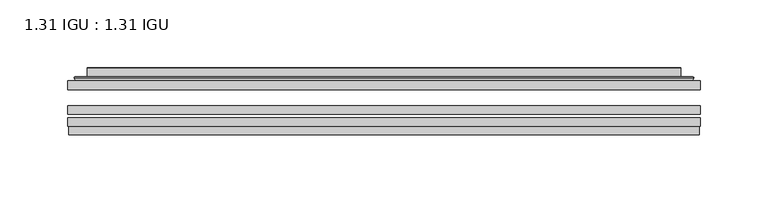
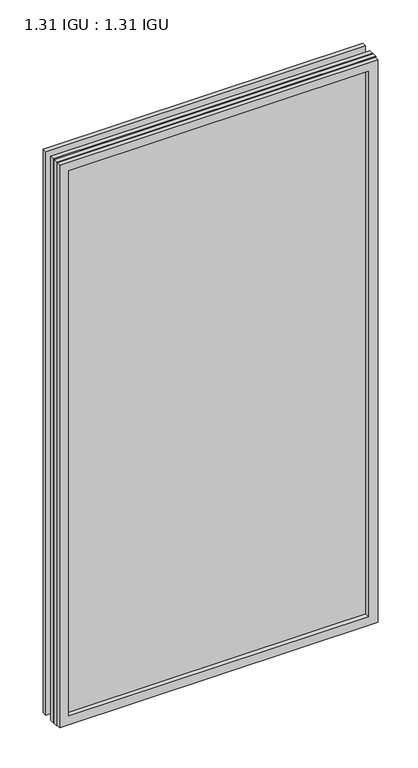
"""IFC4 building model written with IfcOpenShell, lengths in millimetres: plate geometry, 1.31 IGU : 1.31 IGU."""

from ifc_helpers import new_model, si_unit, frame, origin, place, context, project, spatial, polyline, ellipse_curve, outline, extrude, faceted_brep, source, transform, mapped, element, save
from ifc_brep_helpers import plane_surface, cylinder_surface, advanced_brep


def plate_1_31_igu_1_31_igu_6eb9a49b(model_context):
    return source(origin(), model_context, "Body", "SolidModel", [
        extrude(outline(polyline([(233.376675, -63.59525), (233.376675, -69.94525), (-233.3625, -69.94525), (-233.3625, -63.59525), (233.376675, -63.59525)])), frame((0.0, 0.0, -14.2875), z_axis=(0.0, 0.0, 1.0), x_axis=(1.0, 0.0, 0.0)), (0.0, 0.0, 1.0), 869.9537979),
        extrude(outline(polyline([(-233.3625, -78.58125), (-233.3625, -72.230745), (233.376675, -72.230745), (233.376675, -78.58125), (-233.3625, -78.58125)])), frame((0.0, 0.0, -14.2875), z_axis=(0.0, 0.0, 1.0), x_axis=(1.0, 0.0, 0.0)), (0.0, 0.0, 1.0), 869.9537979),
        extrude(outline(polyline([(233.376675, -45.25645), (233.376675, -51.60645), (-233.3625, -51.60645), (-233.3625, -45.25645), (233.376675, -45.25645)])), frame((0.0, 0.0, -14.2875), z_axis=(0.0, 0.0, 1.0), x_axis=(1.0, 0.0, 0.0)), (0.0, 0.0, 1.0), 869.9537979),
        faceted_brep([(-232.6623142, -84.93125, 854.9623142), (-232.6623142, -78.58125, 854.9623142), (-232.6623142, -78.58125, -13.5873142), (-232.6623142, -84.93125, -13.5873142), (232.6623142, -78.58125, -13.5873142), (232.6623142, -84.93125, -13.5873142), (232.6623142, -78.58125, 854.9623142), (232.6623142, -84.93125, 854.9623142), (-218.1772559, -78.58125, 0.8977441), (218.1772559, -78.58125, 0.8977441), (218.1772559, -78.58125, 840.4772559), (-218.1772559, -78.58125, 840.4772559), (-219.0696902, -84.93125, 841.3696902), (219.0696902, -84.93125, 841.3696902), (219.0696902, -84.93125, 0.0053098), (-219.0696902, -84.93125, 0.0053098)], [[[0, 1, 2, 3]], [[3, 2, 4, 5]], [[5, 4, 6, 7]], [[1, 6, 4, 2], [8, 9, 10, 11]], [[7, 6, 1, 0]], [[3, 5, 7, 0], [12, 13, 14, 15]], [[11, 12, 15, 8]], [[8, 15, 14, 9]], [[9, 14, 13, 10]], [[10, 13, 12, 11]]]),
        advanced_brep(
        [(-226.121219, -45.25645, 848.421219), (-228.4754244, -43.2667833, 850.7754244), (-228.4754244, -43.2667833, -9.4004244), (-226.121219, -45.25645, -7.046219), (-217.0468939, -41.416413, 839.3468939), (-212.1120621, -45.25645, 834.4120621), (-212.1120621, -45.25645, 6.9629379), (-217.0468939, -41.416413, 2.0281061), (-218.0789217, -36.0191819, 840.3789217), (-218.0789217, -36.0191819, 0.9960783), (-219.0695784, -35.6202069, 841.3695784), (-219.0695784, -35.6202069, 0.0054216), (-219.0695784, -42.08145, 841.3695784), (-219.0695784, -42.08145, 0.0054216), (-227.4736349, -42.08145, 849.7736349), (-227.4736349, -42.08145, -8.3986349), (228.4754244, -43.2667833, -9.4004244), (226.121219, -45.25645, -7.046219), (212.1120621, -45.25645, 6.9629379), (217.0468939, -41.416413, 2.0281061), (218.0789217, -36.0191819, 0.9960783), (219.0695784, -35.6202069, 0.0054216), (219.0695784, -42.08145, 0.0054216), (227.4736349, -42.08145, -8.3986349), (228.4754244, -43.2667833, 850.7754244), (226.121219, -45.25645, 848.421219), (212.1120621, -45.25645, 834.4120621), (217.0468939, -41.416413, 839.3468939), (218.0789217, -36.0191819, 840.3789217), (219.0695784, -35.6202069, 841.3695784), (219.0695784, -42.08145, 841.3695784), (227.4736349, -42.08145, 849.7736349)],
        [
            (0, 1, ellipse_curve(frame((-226.121219, -42.86885, 848.421219), z_axis=(-0.7071067811865475, 0.0, -0.7071067811865475), x_axis=(-0.7071067811865474, 0.0, 0.7071067811865476)), 3.3765763, 2.3876)),
            (1, 2),
            (2, 3, ellipse_curve(frame((-226.121219, -42.86885, -7.046219), z_axis=(-0.7071067811865475, 0.0, 0.7071067811865475), x_axis=(0.7071067811865474, 0.0, 0.7071067811865476)), 3.3765763, 2.3876)),
            (3, 0),
            (4, 5),
            (5, 6),
            (6, 7),
            (7, 4),
            (8, 4),
            (7, 9),
            (9, 8),
            (10, 8, ellipse_curve(frame((-218.7026219, -36.1384423, 841.0026219), z_axis=(-0.7071067811865475, 0.0, -0.7071067811865475), x_axis=(-0.7071067811865474, 0.0, 0.7071067811865476)), 0.8980256, 0.635)),
            (9, 11, ellipse_curve(frame((-218.7026219, -36.1384423, 0.3723781), z_axis=(-0.7071067811865475, 0.0, 0.7071067811865475), x_axis=(0.7071067811865474, 0.0, 0.7071067811865476)), 0.8980256, 0.635)),
            (11, 10),
            (12, 10),
            (11, 13),
            (13, 12),
            (1, 14, ellipse_curve(frame((-227.4736349, -43.09745, 849.7736349), z_axis=(-0.7071067811865475, 0.0, -0.7071067811865475), x_axis=(-0.7071067811865474, 0.0, 0.7071067811865476)), 1.436841, 1.016)),
            (14, 15),
            (15, 2, ellipse_curve(frame((-227.4736349, -43.09745, -8.3986349), z_axis=(-0.7071067811865475, 0.0, 0.7071067811865475), x_axis=(0.7071067811865474, 0.0, 0.7071067811865476)), 1.436841, 1.016)),
            (2, 16),
            (16, 17, ellipse_curve(frame((226.121219, -42.86885, -7.046219), z_axis=(-0.7071067811865475, 0.0, -0.7071067811865475), x_axis=(-0.7071067811865476, 0.0, 0.7071067811865474)), 3.3765763, 2.3876)),
            (17, 3),
            (6, 18),
            (18, 19),
            (19, 7),
            (19, 20),
            (20, 9),
            (20, 21, ellipse_curve(frame((218.7026219, -36.1384423, 0.3723781), z_axis=(-0.7071067811865475, 0.0, -0.7071067811865475), x_axis=(-0.7071067811865476, 0.0, 0.7071067811865474)), 0.8980256, 0.635)),
            (21, 11),
            (21, 22),
            (22, 13),
            (15, 23),
            (23, 16, ellipse_curve(frame((227.4736349, -43.09745, -8.3986349), z_axis=(-0.7071067811865475, 0.0, -0.7071067811865475), x_axis=(-0.7071067811865476, 0.0, 0.7071067811865474)), 1.436841, 1.016)),
            (16, 24),
            (24, 25, ellipse_curve(frame((226.121219, -42.86885, 848.421219), z_axis=(0.7071067811865475, 0.0, -0.7071067811865475), x_axis=(-0.7071067811865474, 0.0, -0.7071067811865476)), 3.3765763, 2.3876)),
            (25, 17),
            (18, 26),
            (26, 27),
            (27, 19),
            (27, 28),
            (28, 20),
            (28, 29, ellipse_curve(frame((218.7026219, -36.1384423, 841.0026219), z_axis=(0.7071067811865475, 0.0, -0.7071067811865475), x_axis=(-0.7071067811865474, 0.0, -0.7071067811865476)), 0.8980256, 0.635)),
            (29, 21),
            (29, 30),
            (30, 22),
            (23, 31),
            (31, 24, ellipse_curve(frame((227.4736349, -43.09745, 849.7736349), z_axis=(0.7071067811865475, 0.0, -0.7071067811865475), x_axis=(-0.7071067811865474, 0.0, -0.7071067811865476)), 1.436841, 1.016)),
            (24, 1),
            (0, 25),
            (5, 26),
            (4, 27),
            (8, 28),
            (10, 29),
            (12, 30),
            (14, 31),
        ],
        [
            cylinder_surface(frame((-226.121219, -42.86885, 873.125), z_axis=(0.0, 0.0, 1.0), x_axis=(-1.0, 0.0, 0.0)), 2.3876),
            plane_surface(frame((-212.1120621, -45.25645, 834.4120621), z_axis=(0.6141233906514794, 0.7892100234124821, 0.0), x_axis=(0.0, 0.0, -1.0))),
            plane_surface(frame((-217.0468939, -41.416413, 839.3468939), z_axis=(0.9822050625507729, 0.18781164793386074, 0.0), x_axis=(0.0, 0.0, -1.0))),
            cylinder_surface(frame((-218.7026219, -36.1384423, 873.125), z_axis=(0.0, 0.0, 1.0), x_axis=(-1.0, 0.0, 0.0)), 0.635),
            plane_surface(frame((-219.0695784, -35.6202069, 841.3695784), z_axis=(-1.0, 0.0, 0.0), x_axis=(0.0, 0.0, -1.0))),
            cylinder_surface(frame((-227.4736349, -43.09745, 873.125), z_axis=(0.0, 0.0, 1.0), x_axis=(-1.0, 0.0, 0.0)), 1.016),
            cylinder_surface(frame((-250.825, -42.86885, -7.046219), z_axis=(-1.0, 0.0, 0.0), x_axis=(0.0, 0.0, -1.0)), 2.3876),
            plane_surface(frame((-212.1120621, -45.25645, 6.9629379), z_axis=(0.0, 0.7892100234124841, 0.6141233906514768), x_axis=(1.0, 0.0, 0.0))),
            plane_surface(frame((-217.0468939, -41.416413, 2.0281061), z_axis=(0.0, 0.18781164793386393, 0.9822050625507723), x_axis=(1.0, 0.0, 0.0))),
            cylinder_surface(frame((-250.825, -36.1384423, 0.3723781), z_axis=(-1.0, 0.0, 0.0), x_axis=(0.0, 0.0, -1.0)), 0.635),
            plane_surface(frame((-219.0695784, -35.6202069, 0.0054216), z_axis=(0.0, 0.0, -1.0), x_axis=(1.0, 0.0, 0.0))),
            cylinder_surface(frame((-250.825, -43.09745, -8.3986349), z_axis=(-1.0, 0.0, 0.0), x_axis=(0.0, 0.0, -1.0)), 1.016),
            cylinder_surface(frame((226.121219, -42.86885, -31.75), z_axis=(0.0, 0.0, -1.0), x_axis=(1.0, 0.0, 0.0)), 2.3876),
            plane_surface(frame((212.1120621, -45.25645, 6.9629379), z_axis=(-0.6141233906514743, 0.7892100234124861, 0.0), x_axis=(0.0, 0.0, 1.0))),
            plane_surface(frame((217.0468939, -41.416413, 2.0281061), z_axis=(-0.9822050625507718, 0.18781164793386712, 0.0), x_axis=(0.0, 0.0, 1.0))),
            cylinder_surface(frame((218.7026219, -36.1384423, -31.75), z_axis=(0.0, 0.0, -1.0), x_axis=(1.0, 0.0, 0.0)), 0.635),
            plane_surface(frame((219.0695784, -35.6202069, 0.0054216), z_axis=(1.0, 0.0, 0.0), x_axis=(0.0, 0.0, 1.0))),
            cylinder_surface(frame((227.4736349, -43.09745, -31.75), z_axis=(0.0, 0.0, -1.0), x_axis=(1.0, 0.0, 0.0)), 1.016),
            cylinder_surface(frame((250.825, -42.86885, 848.421219), z_axis=(1.0, 0.0, 0.0), x_axis=(0.0, 0.0, 1.0)), 2.3876),
            plane_surface(frame((226.121219, -45.25645, 848.421219), z_axis=(0.0, -1.0, 0.0), x_axis=(-1.0, 0.0, 0.0))),
            plane_surface(frame((212.1120621, -45.25645, 834.4120621), z_axis=(0.0, 0.7892100234124841, -0.6141233906514768), x_axis=(-1.0, 0.0, 0.0))),
            plane_surface(frame((217.0468939, -41.416413, 839.3468939), z_axis=(0.0, 0.18781164793386393, -0.9822050625507723), x_axis=(-1.0, 0.0, 0.0))),
            cylinder_surface(frame((250.825, -36.1384423, 841.0026219), z_axis=(1.0, 0.0, 0.0), x_axis=(0.0, 0.0, 1.0)), 0.635),
            plane_surface(frame((219.0695784, -35.6202069, 841.3695784), z_axis=(0.0, 0.0, 1.0), x_axis=(-1.0, 0.0, 0.0))),
            plane_surface(frame((219.0695784, -42.08145, 841.3695784), z_axis=(0.0, 1.0, 0.0), x_axis=(-1.0, 0.0, 0.0))),
            cylinder_surface(frame((250.825, -43.09745, 849.7736349), z_axis=(1.0, 0.0, 0.0), x_axis=(0.0, 0.0, 1.0)), 1.016),
        ],
        [
            (0, [[1, 2, 3, 4]]),
            (1, [[5, 6, 7, 8]]),
            (2, [[9, -8, 10, 11]]),
            (3, [[12, -11, 13, 14]]),
            (4, [[15, -14, 16, 17]]),
            (5, [[18, 19, 20, -2]]),
            (6, [[-3, 21, 22, 23]]),
            (7, [[-7, 24, 25, 26]]),
            (8, [[-10, -26, 27, 28]]),
            (9, [[-13, -28, 29, 30]]),
            (10, [[-16, -30, 31, 32]]),
            (11, [[-20, 33, 34, -21]]),
            (12, [[-22, 35, 36, 37]]),
            (13, [[-25, 38, 39, 40]]),
            (14, [[-27, -40, 41, 42]]),
            (15, [[-29, -42, 43, 44]]),
            (16, [[-31, -44, 45, 46]]),
            (17, [[-34, 47, 48, -35]]),
            (18, [[-36, 49, -1, 50]]),
            (19, [[-23, -37, -50, -4], [51, -38, -24, -6]]),
            (20, [[-39, -51, -5, 52]]),
            (21, [[-41, -52, -9, 53]]),
            (22, [[-43, -53, -12, 54]]),
            (23, [[-45, -54, -15, 55]]),
            (24, [[56, -47, -33, -19], [-32, -46, -55, -17]]),
            (25, [[-48, -56, -18, -49]]),
        ],
    ),
    ])


if __name__ == "__main__":
    model = new_model("IFC4")
    model_context = context("Model", 3, world=origin())
    ifc_project = project(units=[si_unit("LENGTHUNIT", "METRE", prefix="MILLI")], contexts=[model_context])
    site = spatial("IfcSite", under=ifc_project)
    building = spatial("IfcBuilding", under=site)
    placement = place(None, origin())
    plate_1_31_igu_1_31_igu_shape = plate_1_31_igu_1_31_igu_6eb9a49b(model_context)
    element("IfcPlate", 1, ObjectType="1.31 IGU : 1.31 IGU", at=placement, inside=building, context=model_context, shape_type="MappedRepresentation", body=[
        mapped(plate_1_31_igu_1_31_igu_shape, transform((0.0, 0.0, 0.0), x_axis=(1.0, 0.0, 0.0), y_axis=(0.0, 1.0, 0.0), z_axis=(0.0, 0.0, 1.0))),
    ])
    save(model, "model.ifc")
